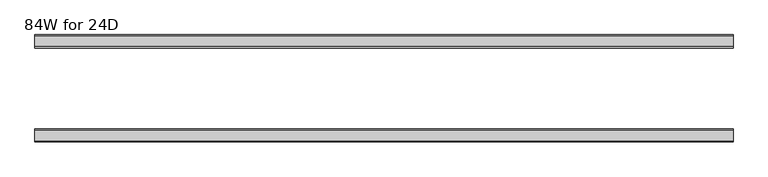
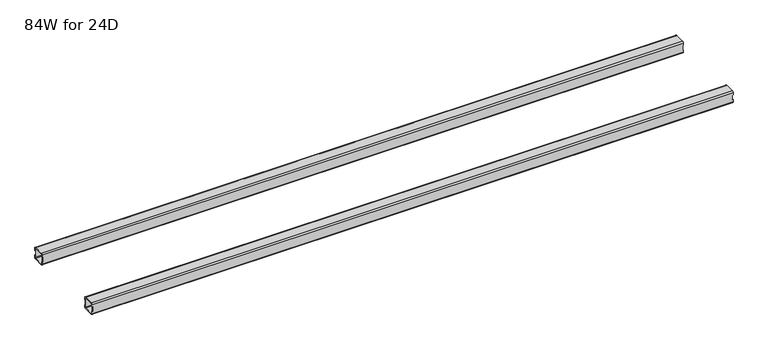
"""IFC4 building model written with IfcOpenShell, lengths in millimetres: furniture geometry, 84W for 24D."""

from ifc_helpers import new_model, si_unit, frame, origin, place, context, project, spatial, polyline, circle_curve, source, transform, mapped, element, save
from ifc_brep_helpers import plane_surface, cylinder_surface, revolved_surface, advanced_brep


def furniture_84w_for_24d_9304914b(model_context):
    return source(origin(), model_context, "Body", "AdvancedBrep", [
        advanced_brep(
        [(2108.6028, -438.5082, 653.351), (2108.6028, -440.5082, 651.351), (2108.6028, -472.5082, 651.351), (2108.6028, -474.5082, 653.351), (2108.6028, -474.5082, 660.851), (2108.6028, -476.5082, 660.851), (2108.6028, -476.5082, 653.351), (2108.6028, -472.5082, 649.351), (2108.6028, -440.5082, 649.351), (2108.6028, -436.5082, 653.351), (2108.6028, -436.5082, 660.851), (2108.6028, -438.5082, 660.851), (2108.6028, -474.5082, 684.975), (2108.6028, -472.5082, 686.975), (2108.6028, -440.5082, 686.975), (2108.6028, -438.5082, 684.975), (2108.6028, -438.5082, 677.475), (2108.6028, -436.5082, 677.475), (2108.6028, -436.5082, 684.975), (2108.6028, -440.5082, 688.975), (2108.6028, -472.5082, 688.975), (2108.6028, -476.5082, 684.975), (2108.6028, -476.5082, 677.475), (2108.6028, -474.5082, 677.475), (22.0, -438.5082, 684.975), (22.0, -440.5082, 686.975), (22.0, -472.5082, 686.975), (22.0, -474.5082, 684.975), (22.0, -474.5082, 677.475), (22.0, -476.5082, 677.475), (22.0, -476.5082, 684.975), (22.0, -472.5082, 688.975), (22.0, -440.5082, 688.975), (22.0, -436.5082, 684.975), (22.0, -436.5082, 677.475), (22.0, -438.5082, 677.475), (22.0, -474.5082, 653.351), (22.0, -472.5082, 651.351), (22.0, -440.5082, 651.351), (22.0, -438.5082, 653.351), (22.0, -438.5082, 660.851), (22.0, -436.5082, 660.851), (22.0, -436.5082, 653.351), (22.0, -440.5082, 649.351), (22.0, -472.5082, 649.351), (22.0, -476.5082, 653.351), (22.0, -476.5082, 660.851), (22.0, -474.5082, 660.851), (23.365, -474.5082, 660.851), (24.0, -474.5082, 661.486), (24.0, -474.5082, 676.84), (23.365, -474.5082, 677.475), (2107.2378, -474.5082, 677.475), (2106.6028, -474.5082, 676.84), (2106.6028, -474.5082, 661.486), (2107.2378, -474.5082, 660.851), (2107.2378, -438.5082, 660.851), (2106.6028, -438.5082, 661.486), (2106.6028, -438.5082, 676.84), (2107.2378, -438.5082, 677.475), (23.365, -438.5082, 677.475), (24.0, -438.5082, 676.84), (24.0, -438.5082, 661.486), (23.365, -438.5082, 660.851), (23.365, -476.5082, 677.475), (24.0, -476.5082, 676.84), (24.0, -476.5082, 661.486), (23.365, -476.5082, 660.851), (2107.2378, -476.5082, 660.851), (2106.6028, -476.5082, 661.486), (2106.6028, -476.5082, 676.84), (2107.2378, -476.5082, 677.475), (2107.2378, -436.5082, 677.475), (2106.6028, -436.5082, 676.84), (2106.6028, -436.5082, 661.486), (2107.2378, -436.5082, 660.851), (23.365, -436.5082, 660.851), (24.0, -436.5082, 661.486), (24.0, -436.5082, 676.84), (23.365, -436.5082, 677.475)],
        [
            (0, 1, circle_curve(frame((2108.6028, -440.5082, 653.351), z_axis=(-1.0, 0.0, 0.0), x_axis=(0.0, 1.0, 0.0)), 2.0)),
            (1, 2),
            (2, 3, circle_curve(frame((2108.6028, -472.5082, 653.351), z_axis=(-1.0, 0.0, 0.0), x_axis=(0.0, 1.0, 0.0)), 2.0)),
            (3, 4),
            (4, 5),
            (5, 6),
            (6, 7, circle_curve(frame((2108.6028, -472.5082, 653.351), z_axis=(1.0, 0.0, 0.0), x_axis=(0.0, 1.0, 0.0)), 4.0)),
            (7, 8),
            (8, 9, circle_curve(frame((2108.6028, -440.5082, 653.351), z_axis=(1.0, 0.0, 0.0), x_axis=(0.0, 1.0, 0.0)), 4.0)),
            (9, 10),
            (10, 11),
            (11, 0),
            (12, 13, circle_curve(frame((2108.6028, -472.5082, 684.975), z_axis=(-1.0, 0.0, 0.0), x_axis=(0.0, 1.0, 0.0)), 2.0)),
            (13, 14),
            (14, 15, circle_curve(frame((2108.6028, -440.5082, 684.975), z_axis=(-1.0, 0.0, 0.0), x_axis=(0.0, 1.0, 0.0)), 2.0)),
            (15, 16),
            (16, 17),
            (17, 18),
            (18, 19, circle_curve(frame((2108.6028, -440.5082, 684.975), z_axis=(1.0, 0.0, 0.0), x_axis=(0.0, 1.0, 0.0)), 4.0)),
            (19, 20),
            (20, 21, circle_curve(frame((2108.6028, -472.5082, 684.975), z_axis=(1.0, 0.0, 0.0), x_axis=(0.0, 1.0, 0.0)), 4.0)),
            (21, 22),
            (22, 23),
            (23, 12),
            (24, 25, circle_curve(frame((22.0, -440.5082, 684.975), z_axis=(1.0, 0.0, 0.0), x_axis=(0.0, 1.0, 0.0)), 2.0)),
            (25, 26),
            (26, 27, circle_curve(frame((22.0, -472.5082, 684.975), z_axis=(1.0, 0.0, 0.0), x_axis=(0.0, 1.0, 0.0)), 2.0)),
            (27, 28),
            (28, 29),
            (29, 30),
            (30, 31, circle_curve(frame((22.0, -472.5082, 684.975), z_axis=(-1.0, 0.0, 0.0), x_axis=(0.0, 1.0, 0.0)), 4.0)),
            (31, 32),
            (32, 33, circle_curve(frame((22.0, -440.5082, 684.975), z_axis=(-1.0, 0.0, 0.0), x_axis=(0.0, 1.0, 0.0)), 4.0)),
            (33, 34),
            (34, 35),
            (35, 24),
            (36, 37, circle_curve(frame((22.0, -472.5082, 653.351), z_axis=(1.0, 0.0, 0.0), x_axis=(0.0, 1.0, 0.0)), 2.0)),
            (37, 38),
            (38, 39, circle_curve(frame((22.0, -440.5082, 653.351), z_axis=(1.0, 0.0, 0.0), x_axis=(0.0, 1.0, 0.0)), 2.0)),
            (39, 40),
            (40, 41),
            (41, 42),
            (42, 43, circle_curve(frame((22.0, -440.5082, 653.351), z_axis=(-1.0, 0.0, 0.0), x_axis=(0.0, 1.0, 0.0)), 4.0)),
            (43, 44),
            (44, 45, circle_curve(frame((22.0, -472.5082, 653.351), z_axis=(-1.0, 0.0, 0.0), x_axis=(0.0, 1.0, 0.0)), 4.0)),
            (45, 46),
            (46, 47),
            (47, 36),
            (0, 39),
            (38, 1),
            (37, 2),
            (36, 3),
            (47, 48),
            (48, 49, circle_curve(frame((23.365, -474.5082, 661.486), z_axis=(0.0, -1.0, 0.0), x_axis=(1.0, 0.0, 0.0)), 0.635)),
            (49, 50),
            (50, 51, circle_curve(frame((23.365, -474.5082, 676.84), z_axis=(0.0, -1.0, 0.0), x_axis=(1.0, 0.0, 0.0)), 0.635)),
            (51, 28),
            (27, 12),
            (23, 52),
            (52, 53, circle_curve(frame((2107.2378, -474.5082, 676.84), z_axis=(0.0, -1.0, 0.0), x_axis=(1.0, 0.0, 0.0)), 0.635)),
            (53, 54),
            (54, 55, circle_curve(frame((2107.2378, -474.5082, 661.486), z_axis=(0.0, -1.0, 0.0), x_axis=(1.0, 0.0, 0.0)), 0.635)),
            (55, 4),
            (26, 13),
            (25, 14),
            (24, 15),
            (11, 56),
            (56, 57, circle_curve(frame((2107.2378, -438.5082, 661.486), z_axis=(0.0, 1.0, 0.0), x_axis=(1.0, 0.0, 0.0)), 0.635)),
            (57, 58),
            (58, 59, circle_curve(frame((2107.2378, -438.5082, 676.84), z_axis=(0.0, 1.0, 0.0), x_axis=(1.0, 0.0, 0.0)), 0.635)),
            (59, 16),
            (35, 60),
            (60, 61, circle_curve(frame((23.365, -438.5082, 676.84), z_axis=(0.0, 1.0, 0.0), x_axis=(1.0, 0.0, 0.0)), 0.635)),
            (61, 62),
            (62, 63, circle_curve(frame((23.365, -438.5082, 661.486), z_axis=(0.0, 1.0, 0.0), x_axis=(1.0, 0.0, 0.0)), 0.635)),
            (63, 40),
            (18, 33),
            (32, 19),
            (31, 20),
            (30, 21),
            (29, 64),
            (64, 65, circle_curve(frame((23.365, -476.5082, 676.84), z_axis=(0.0, 1.0, 0.0), x_axis=(1.0, 0.0, 0.0)), 0.635)),
            (65, 66),
            (66, 67, circle_curve(frame((23.365, -476.5082, 661.486), z_axis=(0.0, 1.0, 0.0), x_axis=(1.0, 0.0, 0.0)), 0.635)),
            (67, 46),
            (45, 6),
            (5, 68),
            (68, 69, circle_curve(frame((2107.2378, -476.5082, 661.486), z_axis=(0.0, 1.0, 0.0), x_axis=(1.0, 0.0, 0.0)), 0.635)),
            (69, 70),
            (70, 71, circle_curve(frame((2107.2378, -476.5082, 676.84), z_axis=(0.0, 1.0, 0.0), x_axis=(1.0, 0.0, 0.0)), 0.635)),
            (71, 22),
            (44, 7),
            (43, 8),
            (42, 9),
            (17, 72),
            (72, 73, circle_curve(frame((2107.2378, -436.5082, 676.84), z_axis=(0.0, -1.0, 0.0), x_axis=(1.0, 0.0, 0.0)), 0.635)),
            (73, 74),
            (74, 75, circle_curve(frame((2107.2378, -436.5082, 661.486), z_axis=(0.0, -1.0, 0.0), x_axis=(1.0, 0.0, 0.0)), 0.635)),
            (75, 10),
            (41, 76),
            (76, 77, circle_curve(frame((23.365, -436.5082, 661.486), z_axis=(0.0, -1.0, 0.0), x_axis=(1.0, 0.0, 0.0)), 0.635)),
            (77, 78),
            (78, 79, circle_curve(frame((23.365, -436.5082, 676.84), z_axis=(0.0, -1.0, 0.0), x_axis=(1.0, 0.0, 0.0)), 0.635)),
            (79, 34),
            (71, 52),
            (59, 72),
            (70, 53),
            (58, 73),
            (69, 54),
            (57, 74),
            (68, 55),
            (56, 75),
            (51, 64),
            (79, 60),
            (67, 48),
            (63, 76),
            (66, 49),
            (62, 77),
            (65, 50),
            (61, 78),
        ],
        [
            plane_surface(frame((2108.6028, -438.5082, 653.351), z_axis=(1.0, 0.0, 0.0), x_axis=(0.0, 0.0, -1.0))),
            plane_surface(frame((22.0, -438.5082, 653.351), z_axis=(-1.0, 0.0, 0.0), x_axis=(0.0, 0.0, 1.0))),
            revolved_surface(polyline([(22.0, -438.5082, 653.351), (2108.6028, -438.5082, 653.351)]), (22.0, -440.5082, 653.351), (-1.0, 0.0, 0.0)),
            plane_surface(frame((2108.6028, -440.5082, 651.351), z_axis=(0.0, -4.868672132139401e-12, 1.0), x_axis=(-1.0, 0.0, 0.0))),
            revolved_surface(polyline([(22.0, -470.5082, 653.351), (2108.6028, -470.5082, 653.351)]), (22.0, -472.5082, 653.351), (-1.0, 0.0, 0.0)),
            plane_surface(frame((2108.6028, -474.5082, 653.351), z_axis=(0.0, 1.0, 0.0), x_axis=(-1.0, 0.0, 0.0))),
            revolved_surface(polyline([(22.0, -470.5082, 684.975), (2108.6028, -470.5082, 684.975)]), (22.0, -472.5082, 684.975), (-1.0, 0.0, 0.0)),
            plane_surface(frame((2108.6028, -472.5082, 686.975), z_axis=(0.0, 0.0, -1.0), x_axis=(-1.0, 0.0, 0.0))),
            revolved_surface(polyline([(22.0, -438.5082, 684.975), (2108.6028, -438.5082, 684.975)]), (22.0, -440.5082, 684.975), (-1.0, 0.0, 0.0)),
            plane_surface(frame((2108.6028, -438.5082, 684.975), z_axis=(0.0, -1.0, 0.0), x_axis=(-1.0, 0.0, 0.0))),
            cylinder_surface(frame((0.0, -440.5082, 684.975), z_axis=(1.0, 0.0, 0.0), x_axis=(0.0, 1.0, 0.0)), 4.0),
            plane_surface(frame((2108.6028, -440.5082, 688.975), z_axis=(0.0, 0.0, 1.0), x_axis=(-1.0, 0.0, 0.0))),
            cylinder_surface(frame((0.0, -472.5082, 684.975), z_axis=(1.0, 0.0, 0.0), x_axis=(0.0, 1.0, 0.0)), 4.0),
            plane_surface(frame((2108.6028, -476.5082, 684.975), z_axis=(0.0, -1.0, 0.0), x_axis=(-1.0, 0.0, 0.0))),
            cylinder_surface(frame((0.0, -472.5082, 653.351), z_axis=(1.0, 0.0, 0.0), x_axis=(0.0, 1.0, 0.0)), 4.0),
            plane_surface(frame((2108.6028, -472.5082, 649.351), z_axis=(0.0, 0.0, -1.0), x_axis=(-1.0, 0.0, 0.0))),
            cylinder_surface(frame((0.0, -440.5082, 653.351), z_axis=(1.0, 0.0, 0.0), x_axis=(0.0, 1.0, 0.0)), 4.0),
            plane_surface(frame((2108.6028, -436.5082, 653.351), z_axis=(0.0, 1.0, -4.917998717621574e-12), x_axis=(-1.0, 0.0, 0.0))),
            plane_surface(frame((2108.6028, -476.5082, 677.475), z_axis=(1.130465684452016e-11, 0.0, -1.0), x_axis=(0.0, 1.0, 0.0))),
            revolved_surface(polyline([(2107.8728, -476.5082, 676.84), (2107.8728, -474.5082, 676.84)]), (2107.2378, -436.5082, 676.84), (0.0, -1.0, 0.0)),
            revolved_surface(polyline([(2107.8728, -438.5082, 676.84), (2107.8728, -436.5082, 676.84)]), (2107.2378, -436.5082, 676.84), (0.0, -1.0, 0.0)),
            plane_surface(frame((2106.6028, -476.5082, 676.84), z_axis=(1.0, 0.0, 0.0), x_axis=(0.0, 1.0, 0.0))),
            revolved_surface(polyline([(2107.8728, -476.5082, 661.486), (2107.8728, -474.5082, 661.486)]), (2107.2378, -436.5082, 661.486), (0.0, -1.0, 0.0)),
            revolved_surface(polyline([(2107.8728, -438.5082, 661.486), (2107.8728, -436.5082, 661.486)]), (2107.2378, -436.5082, 661.486), (0.0, -1.0, 0.0)),
            plane_surface(frame((2107.2378, -476.5082, 660.851), z_axis=(0.0, 0.0, 1.0), x_axis=(0.0, 1.0, 0.0))),
            plane_surface(frame((23.365, -476.5082, 677.475), z_axis=(0.0, 0.0, -1.0), x_axis=(0.0, 1.0, 0.0))),
            plane_surface(frame((22.0, -476.5082, 660.851), z_axis=(-1.1502984157403295e-11, 0.0, 1.0), x_axis=(0.0, 1.0, 0.0))),
            revolved_surface(polyline([(24.0, -476.5082, 661.486), (24.0, -474.5082, 661.486)]), (23.365, -436.5082, 661.486), (0.0, -1.0, 0.0)),
            revolved_surface(polyline([(24.0, -438.5082, 661.486), (24.0, -436.5082, 661.486)]), (23.365, -436.5082, 661.486), (0.0, -1.0, 0.0)),
            plane_surface(frame((24.0, -476.5082, 661.486), z_axis=(-1.0, 0.0, 0.0), x_axis=(0.0, 1.0, 0.0))),
            revolved_surface(polyline([(24.0, -476.5082, 676.84), (24.0, -474.5082, 676.84)]), (23.365, -436.5082, 676.84), (0.0, -1.0, 0.0)),
            revolved_surface(polyline([(24.0, -438.5082, 676.84), (24.0, -436.5082, 676.84)]), (23.365, -436.5082, 676.84), (0.0, -1.0, 0.0)),
        ],
        [
            (0, [[1, 2, 3, 4, 5, 6, 7, 8, 9, 10, 11, 12]]),
            (0, [[13, 14, 15, 16, 17, 18, 19, 20, 21, 22, 23, 24]]),
            (1, [[25, 26, 27, 28, 29, 30, 31, 32, 33, 34, 35, 36]]),
            (1, [[37, 38, 39, 40, 41, 42, 43, 44, 45, 46, 47, 48]]),
            (2, [[-1, 49, -39, 50]]),
            (3, [[-2, -50, -38, 51]]),
            (4, [[-3, -51, -37, 52]]),
            (5, [[-52, -48, 53, 54, 55, 56, 57, -28, 58, -24, 59, 60, 61, 62, 63, -4]]),
            (6, [[-13, -58, -27, 64]]),
            (7, [[-14, -64, -26, 65]]),
            (8, [[-15, -65, -25, 66]]),
            (9, [[-49, -12, 67, 68, 69, 70, 71, -16, -66, -36, 72, 73, 74, 75, 76, -40]]),
            (10, [[-19, 77, -33, 78]]),
            (11, [[-20, -78, -32, 79]]),
            (12, [[-21, -79, -31, 80]]),
            (13, [[-80, -30, 81, 82, 83, 84, 85, -46, 86, -6, 87, 88, 89, 90, 91, -22]]),
            (14, [[-7, -86, -45, 92]]),
            (15, [[-8, -92, -44, 93]]),
            (16, [[-9, -93, -43, 94]]),
            (17, [[-77, -18, 95, 96, 97, 98, 99, -10, -94, -42, 100, 101, 102, 103, 104, -34]]),
            (18, [[105, -59, -23, -91]]),
            (18, [[106, -95, -17, -71]]),
            (19, [[-105, -90, 107, -60]]),
            (20, [[-106, -70, 108, -96]]),
            (21, [[-107, -89, 109, -61]]),
            (21, [[-108, -69, 110, -97]]),
            (22, [[-109, -88, 111, -62]]),
            (23, [[-110, -68, 112, -98]]),
            (24, [[-111, -87, -5, -63]]),
            (24, [[-112, -67, -11, -99]]),
            (25, [[113, -81, -29, -57]]),
            (25, [[114, -72, -35, -104]]),
            (26, [[115, -53, -47, -85]]),
            (26, [[116, -100, -41, -76]]),
            (27, [[-115, -84, 117, -54]]),
            (28, [[-116, -75, 118, -101]]),
            (29, [[-117, -83, 119, -55]]),
            (29, [[-118, -74, 120, -102]]),
            (30, [[-113, -56, -119, -82]]),
            (31, [[-114, -103, -120, -73]]),
        ],
    ),
        advanced_brep(
        [(2108.6028, -192.9996202, 684.975), (2108.6028, -190.9996202, 686.975), (2108.6028, -159.0003798, 686.975), (2108.6028, -157.0003798, 684.975), (2108.6028, -157.0003798, 677.475), (2108.6028, -155.0003798, 677.475), (2108.6028, -155.0003798, 684.975), (2108.6028, -159.0003798, 688.975), (2108.6028, -190.9996202, 688.975), (2108.6028, -194.9996202, 684.975), (2108.6028, -194.9996202, 677.475), (2108.6028, -192.9996202, 677.475), (2108.6028, -157.0003798, 653.351), (2108.6028, -159.0003798, 651.351), (2108.6028, -190.9996202, 651.351), (2108.6028, -192.9996202, 653.351), (2108.6028, -192.9996202, 660.851), (2108.6028, -194.9996202, 660.851), (2108.6028, -194.9996202, 653.351), (2108.6028, -190.9996202, 649.351), (2108.6028, -159.0003798, 649.351), (2108.6028, -155.0003798, 653.351), (2108.6028, -155.0003798, 660.851), (2108.6028, -157.0003798, 660.851), (22.0, -192.9996202, 653.351), (22.0, -190.9996202, 651.351), (22.0, -159.0003798, 651.351), (22.0, -157.0003798, 653.351), (22.0, -157.0003798, 660.851), (22.0, -155.0003798, 660.851), (22.0, -155.0003798, 653.351), (22.0, -159.0003798, 649.351), (22.0, -190.9996202, 649.351), (22.0, -194.9996202, 653.351), (22.0, -194.9996202, 660.851), (22.0, -192.9996202, 660.851), (22.0, -157.0003798, 684.975), (22.0, -159.0003798, 686.975), (22.0, -190.9996202, 686.975), (22.0, -192.9996202, 684.975), (22.0, -192.9996202, 677.475), (22.0, -194.9996202, 677.475), (22.0, -194.9996202, 684.975), (22.0, -190.9996202, 688.975), (22.0, -159.0003798, 688.975), (22.0, -155.0003798, 684.975), (22.0, -155.0003798, 677.475), (22.0, -157.0003798, 677.475), (2107.2378, -157.0003798, 660.851), (2106.6028, -157.0003798, 661.486), (2106.6028, -157.0003798, 676.84), (2107.2378, -157.0003798, 677.475), (23.365, -157.0003798, 677.475), (24.0, -157.0003798, 676.84), (24.0, -157.0003798, 661.486), (23.365, -157.0003798, 660.851), (23.365, -192.9996202, 660.851), (24.0, -192.9996202, 661.486), (24.0, -192.9996202, 676.84), (23.365, -192.9996202, 677.475), (2107.2378, -192.9996202, 677.475), (2106.6028, -192.9996202, 676.84), (2106.6028, -192.9996202, 661.486), (2107.2378, -192.9996202, 660.851), (2107.2378, -155.0003798, 677.475), (2106.6028, -155.0003798, 676.84), (2106.6028, -155.0003798, 661.486), (2107.2378, -155.0003798, 660.851), (23.365, -155.0003798, 660.851), (24.0, -155.0003798, 661.486), (24.0, -155.0003798, 676.84), (23.365, -155.0003798, 677.475), (23.365, -194.9996202, 677.475), (24.0, -194.9996202, 676.84), (24.0, -194.9996202, 661.486), (23.365, -194.9996202, 660.851), (2107.2378, -194.9996202, 660.851), (2106.6028, -194.9996202, 661.486), (2106.6028, -194.9996202, 676.84), (2107.2378, -194.9996202, 677.475)],
        [
            (0, 1, circle_curve(frame((2108.6028, -190.9996202, 684.975), z_axis=(-1.0, 0.0, 0.0), x_axis=(0.0, -1.0, 0.0)), 2.0)),
            (1, 2),
            (2, 3, circle_curve(frame((2108.6028, -159.0003798, 684.975), z_axis=(-1.0, 0.0, 0.0), x_axis=(0.0, -1.0, 0.0)), 2.0)),
            (3, 4),
            (4, 5),
            (5, 6),
            (6, 7, circle_curve(frame((2108.6028, -159.0003798, 684.975), z_axis=(1.0, 0.0, 0.0), x_axis=(0.0, -1.0, 0.0)), 4.0)),
            (7, 8),
            (8, 9, circle_curve(frame((2108.6028, -190.9996202, 684.975), z_axis=(1.0, 0.0, 0.0), x_axis=(0.0, -1.0, 0.0)), 4.0)),
            (9, 10),
            (10, 11),
            (11, 0),
            (12, 13, circle_curve(frame((2108.6028, -159.0003798, 653.351), z_axis=(-1.0, 0.0, 0.0), x_axis=(0.0, -1.0, 0.0)), 2.0)),
            (13, 14),
            (14, 15, circle_curve(frame((2108.6028, -190.9996202, 653.351), z_axis=(-1.0, 0.0, 0.0), x_axis=(0.0, -1.0, 0.0)), 2.0)),
            (15, 16),
            (16, 17),
            (17, 18),
            (18, 19, circle_curve(frame((2108.6028, -190.9996202, 653.351), z_axis=(1.0, 0.0, 0.0), x_axis=(0.0, -1.0, 0.0)), 4.0)),
            (19, 20),
            (20, 21, circle_curve(frame((2108.6028, -159.0003798, 653.351), z_axis=(1.0, 0.0, 0.0), x_axis=(0.0, -1.0, 0.0)), 4.0)),
            (21, 22),
            (22, 23),
            (23, 12),
            (24, 25, circle_curve(frame((22.0, -190.9996202, 653.351), z_axis=(1.0, 0.0, 0.0), x_axis=(0.0, -1.0, 0.0)), 2.0)),
            (25, 26),
            (26, 27, circle_curve(frame((22.0, -159.0003798, 653.351), z_axis=(1.0, 0.0, 0.0), x_axis=(0.0, -1.0, 0.0)), 2.0)),
            (27, 28),
            (28, 29),
            (29, 30),
            (30, 31, circle_curve(frame((22.0, -159.0003798, 653.351), z_axis=(-1.0, 0.0, 0.0), x_axis=(0.0, -1.0, 0.0)), 4.0)),
            (31, 32),
            (32, 33, circle_curve(frame((22.0, -190.9996202, 653.351), z_axis=(-1.0, 0.0, 0.0), x_axis=(0.0, -1.0, 0.0)), 4.0)),
            (33, 34),
            (34, 35),
            (35, 24),
            (36, 37, circle_curve(frame((22.0, -159.0003798, 684.975), z_axis=(1.0, 0.0, 0.0), x_axis=(0.0, -1.0, 0.0)), 2.0)),
            (37, 38),
            (38, 39, circle_curve(frame((22.0, -190.9996202, 684.975), z_axis=(1.0, 0.0, 0.0), x_axis=(0.0, -1.0, 0.0)), 2.0)),
            (39, 40),
            (40, 41),
            (41, 42),
            (42, 43, circle_curve(frame((22.0, -190.9996202, 684.975), z_axis=(-1.0, 0.0, 0.0), x_axis=(0.0, -1.0, 0.0)), 4.0)),
            (43, 44),
            (44, 45, circle_curve(frame((22.0, -159.0003798, 684.975), z_axis=(-1.0, 0.0, 0.0), x_axis=(0.0, -1.0, 0.0)), 4.0)),
            (45, 46),
            (46, 47),
            (47, 36),
            (14, 25),
            (24, 15),
            (13, 26),
            (12, 27),
            (23, 48),
            (48, 49, circle_curve(frame((2107.2378, -157.0003798, 661.486), z_axis=(0.0, 1.0, 0.0), x_axis=(1.0, 0.0, 0.0)), 0.635)),
            (49, 50),
            (50, 51, circle_curve(frame((2107.2378, -157.0003798, 676.84), z_axis=(0.0, 1.0, 0.0), x_axis=(1.0, 0.0, 0.0)), 0.635)),
            (51, 4),
            (3, 36),
            (47, 52),
            (52, 53, circle_curve(frame((23.365, -157.0003798, 676.84), z_axis=(0.0, 1.0, 0.0), x_axis=(1.0, 0.0, 0.0)), 0.635)),
            (53, 54),
            (54, 55, circle_curve(frame((23.365, -157.0003798, 661.486), z_axis=(0.0, 1.0, 0.0), x_axis=(1.0, 0.0, 0.0)), 0.635)),
            (55, 28),
            (2, 37),
            (1, 38),
            (0, 39),
            (35, 56),
            (56, 57, circle_curve(frame((23.365, -192.9996202, 661.486), z_axis=(0.0, -1.0, 0.0), x_axis=(1.0, 0.0, 0.0)), 0.635)),
            (57, 58),
            (58, 59, circle_curve(frame((23.365, -192.9996202, 676.84), z_axis=(0.0, -1.0, 0.0), x_axis=(1.0, 0.0, 0.0)), 0.635)),
            (59, 40),
            (11, 60),
            (60, 61, circle_curve(frame((2107.2378, -192.9996202, 676.84), z_axis=(0.0, -1.0, 0.0), x_axis=(1.0, 0.0, 0.0)), 0.635)),
            (61, 62),
            (62, 63, circle_curve(frame((2107.2378, -192.9996202, 661.486), z_axis=(0.0, -1.0, 0.0), x_axis=(1.0, 0.0, 0.0)), 0.635)),
            (63, 16),
            (8, 43),
            (42, 9),
            (7, 44),
            (6, 45),
            (5, 64),
            (64, 65, circle_curve(frame((2107.2378, -155.0003798, 676.84), z_axis=(0.0, -1.0, 0.0), x_axis=(1.0, 0.0, 0.0)), 0.635)),
            (65, 66),
            (66, 67, circle_curve(frame((2107.2378, -155.0003798, 661.486), z_axis=(0.0, -1.0, 0.0), x_axis=(1.0, 0.0, 0.0)), 0.635)),
            (67, 22),
            (21, 30),
            (29, 68),
            (68, 69, circle_curve(frame((23.365, -155.0003798, 661.486), z_axis=(0.0, -1.0, 0.0), x_axis=(1.0, 0.0, 0.0)), 0.635)),
            (69, 70),
            (70, 71, circle_curve(frame((23.365, -155.0003798, 676.84), z_axis=(0.0, -1.0, 0.0), x_axis=(1.0, 0.0, 0.0)), 0.635)),
            (71, 46),
            (20, 31),
            (19, 32),
            (18, 33),
            (41, 72),
            (72, 73, circle_curve(frame((23.365, -194.9996202, 676.84), z_axis=(0.0, 1.0, 0.0), x_axis=(1.0, 0.0, 0.0)), 0.635)),
            (73, 74),
            (74, 75, circle_curve(frame((23.365, -194.9996202, 661.486), z_axis=(0.0, 1.0, 0.0), x_axis=(1.0, 0.0, 0.0)), 0.635)),
            (75, 34),
            (17, 76),
            (76, 77, circle_curve(frame((2107.2378, -194.9996202, 661.486), z_axis=(0.0, 1.0, 0.0), x_axis=(1.0, 0.0, 0.0)), 0.635)),
            (77, 78),
            (78, 79, circle_curve(frame((2107.2378, -194.9996202, 676.84), z_axis=(0.0, 1.0, 0.0), x_axis=(1.0, 0.0, 0.0)), 0.635)),
            (79, 10),
            (51, 64),
            (79, 60),
            (50, 65),
            (78, 61),
            (49, 66),
            (77, 62),
            (48, 67),
            (76, 63),
            (71, 52),
            (59, 72),
            (55, 68),
            (75, 56),
            (54, 69),
            (74, 57),
            (53, 70),
            (73, 58),
        ],
        [
            plane_surface(frame((2108.6028, -192.9996202, 684.975), z_axis=(1.0, 0.0, 0.0), x_axis=(0.0, 0.0, 1.0))),
            plane_surface(frame((22.0, -192.9996202, 684.975), z_axis=(-1.0, 0.0, 0.0), x_axis=(0.0, 0.0, -1.0))),
            revolved_surface(polyline([(22.0, -192.9996202, 653.351), (2108.6028, -192.9996202, 653.351)]), (22.0, -190.9996202, 653.351), (-1.0, 0.0, 0.0)),
            plane_surface(frame((2108.6028, -159.0003798, 651.351), z_axis=(0.0, 0.0, 1.0), x_axis=(-1.0, 0.0, 0.0))),
            revolved_surface(polyline([(22.0, -161.0003798, 653.351), (2108.6028, -161.0003798, 653.351)]), (22.0, -159.0003798, 653.351), (-1.0, 0.0, 0.0)),
            plane_surface(frame((2108.6028, -157.0003798, 684.975), z_axis=(0.0, -1.0, 0.0), x_axis=(-1.0, 0.0, 0.0))),
            revolved_surface(polyline([(22.0, -161.0003798, 684.975), (2108.6028, -161.0003798, 684.975)]), (22.0, -159.0003798, 684.975), (-1.0, 0.0, 0.0)),
            plane_surface(frame((2108.6028, -190.9996202, 686.975), z_axis=(0.0, 0.0, -1.0), x_axis=(-1.0, 0.0, 0.0))),
            revolved_surface(polyline([(22.0, -192.9996202, 684.975), (2108.6028, -192.9996202, 684.975)]), (22.0, -190.9996202, 684.975), (-1.0, 0.0, 0.0)),
            plane_surface(frame((2108.6028, -192.9996202, 653.351), z_axis=(0.0, 1.0, 0.0), x_axis=(-1.0, 0.0, 0.0))),
            cylinder_surface(frame((0.0, -190.9996202, 684.975), z_axis=(1.0, 0.0, 0.0), x_axis=(0.0, -1.0, 0.0)), 4.0),
            plane_surface(frame((2108.6028, -159.0003798, 688.975), z_axis=(0.0, 0.0, 1.0), x_axis=(-1.0, 0.0, 0.0))),
            cylinder_surface(frame((0.0, -159.0003798, 684.975), z_axis=(1.0, 0.0, 0.0), x_axis=(0.0, -1.0, 0.0)), 4.0),
            plane_surface(frame((2108.6028, -155.0003798, 653.351), z_axis=(0.0, 1.0, 0.0), x_axis=(-1.0, 0.0, 0.0))),
            cylinder_surface(frame((0.0, -159.0003798, 653.351), z_axis=(1.0, 0.0, 0.0), x_axis=(0.0, -1.0, 0.0)), 4.0),
            plane_surface(frame((2108.6028, -190.9996202, 649.351), z_axis=(0.0, 0.0, -1.0), x_axis=(-1.0, 0.0, 0.0))),
            cylinder_surface(frame((0.0, -190.9996202, 653.351), z_axis=(1.0, 0.0, 0.0), x_axis=(0.0, -1.0, 0.0)), 4.0),
            plane_surface(frame((2108.6028, -194.9996202, 684.975), z_axis=(0.0, -1.0, 0.0), x_axis=(-1.0, 0.0, 0.0))),
            plane_surface(frame((2107.2378, -155.0003798, 677.475), z_axis=(-8.468576266924131e-11, 0.0, -1.0), x_axis=(0.0, -1.0, 0.0))),
            revolved_surface(polyline([(2107.8728, -155.0003798, 676.84), (2107.8728, -157.0003798, 676.84)]), (2107.2378, -194.9996202, 676.84), (0.0, 1.0, 0.0)),
            revolved_surface(polyline([(2107.8728, -192.9996202, 676.84), (2107.8728, -194.9996202, 676.84)]), (2107.2378, -194.9996202, 676.84), (0.0, 1.0, 0.0)),
            plane_surface(frame((2106.6028, -155.0003798, 661.486), z_axis=(1.0, 0.0, 6.100560549954068e-12), x_axis=(0.0, -1.0, 0.0))),
            revolved_surface(polyline([(2107.8728, -155.0003798, 661.486), (2107.8728, -157.0003798, 661.486)]), (2107.2378, -194.9996202, 661.486), (0.0, 1.0, 0.0)),
            revolved_surface(polyline([(2107.8728, -192.9996202, 661.486), (2107.8728, -194.9996202, 661.486)]), (2107.2378, -194.9996202, 661.486), (0.0, 1.0, 0.0)),
            plane_surface(frame((2108.6028, -155.0003798, 660.851), z_axis=(0.0, 0.0, 1.0), x_axis=(0.0, -1.0, 0.0))),
            plane_surface(frame((22.0, -155.0003798, 677.475), z_axis=(0.0, 0.0, -1.0), x_axis=(0.0, -1.0, 0.0))),
            plane_surface(frame((23.365, -155.0003798, 660.851), z_axis=(-2.8559133082148777e-11, 0.0, 1.0), x_axis=(0.0, -1.0, 0.0))),
            revolved_surface(polyline([(24.0, -155.0003798, 661.486), (24.0, -157.0003798, 661.486)]), (23.365, -194.9996202, 661.486), (0.0, 1.0, 0.0)),
            revolved_surface(polyline([(24.0, -192.9996202, 661.486), (24.0, -194.9996202, 661.486)]), (23.365, -194.9996202, 661.486), (0.0, 1.0, 0.0)),
            plane_surface(frame((24.0, -155.0003798, 676.84), z_axis=(-1.0, 0.0, 3.414484621396347e-12), x_axis=(0.0, -1.0, 0.0))),
            revolved_surface(polyline([(24.0, -155.0003798, 676.84), (24.0, -157.0003798, 676.84)]), (23.365, -194.9996202, 676.84), (0.0, 1.0, 0.0)),
            revolved_surface(polyline([(24.0, -192.9996202, 676.84), (24.0, -194.9996202, 676.84)]), (23.365, -194.9996202, 676.84), (0.0, 1.0, 0.0)),
        ],
        [
            (0, [[1, 2, 3, 4, 5, 6, 7, 8, 9, 10, 11, 12]]),
            (0, [[13, 14, 15, 16, 17, 18, 19, 20, 21, 22, 23, 24]]),
            (1, [[25, 26, 27, 28, 29, 30, 31, 32, 33, 34, 35, 36]]),
            (1, [[37, 38, 39, 40, 41, 42, 43, 44, 45, 46, 47, 48]]),
            (2, [[-15, 49, -25, 50]]),
            (3, [[-14, 51, -26, -49]]),
            (4, [[-13, 52, -27, -51]]),
            (5, [[-52, -24, 53, 54, 55, 56, 57, -4, 58, -48, 59, 60, 61, 62, 63, -28]]),
            (6, [[-3, 64, -37, -58]]),
            (7, [[-2, 65, -38, -64]]),
            (8, [[-1, 66, -39, -65]]),
            (9, [[-50, -36, 67, 68, 69, 70, 71, -40, -66, -12, 72, 73, 74, 75, 76, -16]]),
            (10, [[-9, 77, -43, 78]]),
            (11, [[-8, 79, -44, -77]]),
            (12, [[-7, 80, -45, -79]]),
            (13, [[-80, -6, 81, 82, 83, 84, 85, -22, 86, -30, 87, 88, 89, 90, 91, -46]]),
            (14, [[-21, 92, -31, -86]]),
            (15, [[-20, 93, -32, -92]]),
            (16, [[-19, 94, -33, -93]]),
            (17, [[-78, -42, 95, 96, 97, 98, 99, -34, -94, -18, 100, 101, 102, 103, 104, -10]]),
            (18, [[105, -81, -5, -57]]),
            (18, [[106, -72, -11, -104]]),
            (19, [[-105, -56, 107, -82]]),
            (20, [[-106, -103, 108, -73]]),
            (21, [[-107, -55, 109, -83]]),
            (21, [[-108, -102, 110, -74]]),
            (22, [[-109, -54, 111, -84]]),
            (23, [[-110, -101, 112, -75]]),
            (24, [[-111, -53, -23, -85]]),
            (24, [[-112, -100, -17, -76]]),
            (25, [[113, -59, -47, -91]]),
            (25, [[114, -95, -41, -71]]),
            (26, [[115, -87, -29, -63]]),
            (26, [[116, -67, -35, -99]]),
            (27, [[-115, -62, 117, -88]]),
            (28, [[-116, -98, 118, -68]]),
            (29, [[-117, -61, 119, -89]]),
            (29, [[-118, -97, 120, -69]]),
            (30, [[-119, -60, -113, -90]]),
            (31, [[-120, -96, -114, -70]]),
        ],
    ),
    ])


if __name__ == "__main__":
    model = new_model("IFC4")
    model_context = context("Model", 3, world=origin())
    ifc_project = project(units=[si_unit("LENGTHUNIT", "METRE", prefix="MILLI")], contexts=[model_context])
    site = spatial("IfcSite", under=ifc_project)
    building = spatial("IfcBuilding", under=site)
    placement = place(None, origin())
    furniture_84w_for_24d_shape = furniture_84w_for_24d_9304914b(model_context)
    element("IfcFurniture", 1, ObjectType="84W for 24D", at=placement, inside=building, context=model_context, shape_type="MappedRepresentation", body=[
        mapped(furniture_84w_for_24d_shape, transform((0.0, 0.0, 0.0), x_axis=(1.0, 0.0, 0.0), y_axis=(0.0, 1.0, 0.0), z_axis=(0.0, 0.0, 1.0))),
    ])
    save(model, "model.ifc")
